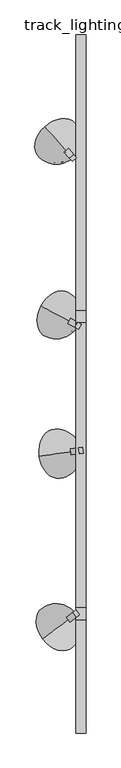
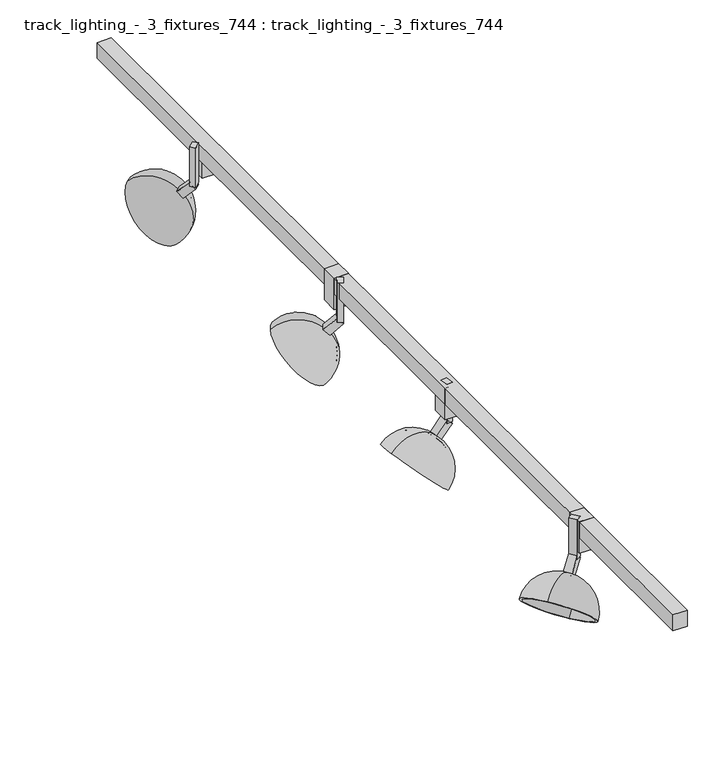
"""IFC4 building model written with IfcOpenShell, lengths in millimetres: light fixture geometry, track_lighting_-_3_fixtures_744 : track_lighting_-_3_fixtures_744."""

from ifc_helpers import new_model, si_unit, point, frame, origin, place, context, project, spatial, polyline, circle_curve, ellipse_curve, trimmed, outline, extrude, source, transform, mapped, element, save
from ifc_brep_helpers import plane_surface, revolved_surface, advanced_brep


def track_lighting_3_fixtures_744_track_lighting_3_fixtures_744_3ff6cc8f(model_context):
    return source(origin(), model_context, "Body", "SolidModel", [
        extrude(outline(polyline([(21.1742761, -368.065558), (30.0730454, -366.8585345), (31.7800344, -379.4432947), (22.8812651, -380.6503181), (21.1742761, -368.065558)])), frame((0.0, 0.0, 2374.9), z_axis=(0.0, 0.0, 1.0), x_axis=(1.0, 0.0, 0.0)), (0.0, 0.0, 1.0), 63.5),
        extrude(outline(polyline([(12.7, -1e-07), (12.7, -12.7), (0.0, -12.7), (0.0, 0.0), (12.7, -1e-07)])), frame((3.3767376, -370.4796049, 2362.9598052), z_axis=(0.7006904927370758, 0.09504121941494724, 0.7071067811865432), x_axis=(0.7006904927370672, 0.09504121941494605, -0.7071067811865519)), (0.0, 0.0, 1.0), 25.4),
        advanced_brep(
        [(10.9948777, -375.8544327, 2356.3160112), (6.5454931, -376.4579445, 2360.8061393), (-64.9270306, -386.1524328, 2360.8061393), (10.9948777, -375.8544327, 2284.1890069), (8.6290006, -376.1753388, 2353.9284695), (4.179616, -376.7788506, 2358.4185976), (8.6290006, -376.1753388, 2286.5765486), (-62.5611535, -385.8315267, 2358.4185976)],
        [
            (0, 1, circle_curve(frame((8.7701854, -376.1561886, 2358.5610752), z_axis=(-0.7006904927370761, -0.09504121941494727, -0.707106781186543), x_axis=(-0.7006904927370676, -0.09504121941494285, 0.707106781186552)), 3.175)),
            (1, 2, circle_curve(frame((-29.1907687, -381.3051886, 2324.7426371), z_axis=(0.13440858148109247, -0.9909259978546537, 0.0), x_axis=(0.7006904927370673, 0.0950412194149429, -0.7071067811865523)), 51.0014938)),
            (2, 3, circle_curve(frame((-26.9660764, -381.0034328, 2322.4975731), z_axis=(0.7006904927370761, 0.09504121941494727, 0.707106781186543), x_axis=(-0.7006904927370676, -0.09504121941494285, 0.707106781186552)), 54.1764938)),
            (3, 0, circle_curve(frame((-24.7413841, -380.7016769, 2320.252509), z_axis=(0.13440858148108958, -0.9909259978546541, 0.0), x_axis=(-0.7006904927370685, -0.0950412194149389, 0.7071067811865517)), 51.0014938)),
            (4, 5, circle_curve(frame((6.4043083, -376.4770947, 2356.1735335), z_axis=(-0.7006904927370761, -0.09504121941494727, -0.707106781186543), x_axis=(-0.7006904927370676, -0.09504121941494285, 0.707106781186552)), 3.175)),
            (5, 1),
            (0, 4),
            (6, 7, circle_curve(frame((-26.9660764, -381.0034328, 2322.4975731), z_axis=(-0.7006904927370761, -0.09504121941494727, -0.707106781186543), x_axis=(-0.7006904927370676, -0.09504121941494285, 0.707106781186552)), 50.8)),
            (7, 5, circle_curve(frame((-29.1907687, -381.3051886, 2324.7426371), z_axis=(-0.13440858148109247, 0.9909259978546537, 0.0), x_axis=(0.7006904927370673, 0.0950412194149429, -0.7071067811865523)), 47.625)),
            (4, 6, circle_curve(frame((-24.7413841, -380.7016769, 2320.252509), z_axis=(-0.13440858148108553, 0.9909259978546546, 0.0), x_axis=(-0.7006904927370693, -0.09504121941493318, 0.7071067811865517)), 47.625)),
            (2, 7),
            (6, 3),
            (1, 0, circle_curve(frame((8.7701854, -376.1561886, 2358.5610752), z_axis=(-0.7006904927370761, -0.09504121941494727, -0.707106781186543), x_axis=(0.7006904927370672, 0.09504121941494595, -0.707106781186552)), 3.175)),
            (3, 2, circle_curve(frame((-26.9660764, -381.0034328, 2322.4975731), z_axis=(0.7006904927370761, 0.09504121941494727, 0.707106781186543), x_axis=(0.7006904927370672, 0.09504121941494595, -0.707106781186552)), 54.1764938)),
            (5, 4, circle_curve(frame((6.4043083, -376.4770947, 2356.1735335), z_axis=(-0.7006904927370761, -0.09504121941494727, -0.707106781186543), x_axis=(0.7006904927370672, 0.09504121941494595, -0.707106781186552)), 3.175)),
            (7, 6, circle_curve(frame((-26.9660764, -381.0034328, 2322.4975731), z_axis=(-0.7006904927370761, -0.09504121941494727, -0.707106781186543), x_axis=(0.7006904927370672, 0.09504121941494595, -0.707106781186552)), 50.8)),
        ],
        [
            revolved_surface(trimmed(ellipse_curve(frame((-29.1907687, -381.3051886, 2324.7426371), z_axis=(-0.13440858148109247, 0.9909259978546537, 0.0), x_axis=(0.7006904927370673, 0.0950412194149429, -0.7071067811865523)), 51.0014938, 51.0014938), [point((-64.9270306, -386.1524328, 2360.8061393))], [point((6.5454931, -376.4579445, 2360.8061393))], True, "CARTESIAN"), (-1664.2890037, -603.0888888, 670.1815264), (0.7006904927370761, 0.09504121941494727, 0.707106781186543)),
            revolved_surface(polyline([(6.5454931547435535, -376.45794451341686, 2360.8061392475574), (4.179615993413563, -376.77885060923165, 2358.4185975275377)]), (-1664.2890037, -603.0888888, 670.1815264), (0.7006904927370761, 0.09504121941494727, 0.707106781186543)),
            revolved_surface(trimmed(ellipse_curve(frame((-29.1907687, -381.3051886, 2324.7426371), z_axis=(0.13440858148109247, -0.9909259978546537, 0.0), x_axis=(0.7006904927370673, 0.0950412194149429, -0.7071067811865523)), 47.625, 47.625), [point((4.179616, -376.7788506, 2358.4185976))], [point((-62.5611535, -385.8315267, 2358.4185976))], True, "CARTESIAN"), (-1664.2890037, -603.0888888, 670.1815264), (0.7006904927370761, 0.09504121941494727, 0.707106781186543)),
            plane_surface(frame((-26.9660764, -381.0034328, 2322.4975731), z_axis=(-0.700690492737076, -0.09504121941494724, -0.7071067811865432), x_axis=(-0.7006904927370676, -0.09504121941494285, 0.707106781186552))),
            revolved_surface(trimmed(ellipse_curve(frame((-24.7413841, -380.7016769, 2320.252509), z_axis=(0.13440858148109466, -0.9909259978546534, 0.0), x_axis=(-0.7006904927370675, -0.09504121941494607, 0.7071067811865517)), 51.0014938, 51.0014938), [point((10.9948777, -375.8544327, 2284.1890069))], [point((10.9948777, -375.8544327, 2356.3160112))], True, "CARTESIAN"), (-1664.2890037, -603.0888888, 670.1815264), (0.7006904927370761, 0.09504121941494727, 0.707106781186543)),
            revolved_surface(polyline([(10.994877783624133, -375.85443277013206, 2356.316011187023), (8.629000622294143, -376.17533886594686, 2353.928469467003)]), (-1664.2890037, -603.0888888, 670.1815264), (0.7006904927370761, 0.09504121941494727, 0.707106781186543)),
            revolved_surface(trimmed(ellipse_curve(frame((-24.7413841, -380.7016769, 2320.252509), z_axis=(-0.13440858148109466, 0.9909259978546534, 0.0), x_axis=(-0.7006904927370675, -0.09504121941494607, 0.7071067811865517)), 47.625, 47.625), [point((8.6290006, -376.1753388, 2353.9284695))], [point((8.6290006, -376.1753388, 2286.5765486))], True, "CARTESIAN"), (-1664.2890037, -603.0888888, 670.1815264), (0.7006904927370761, 0.09504121941494727, 0.707106781186543)),
            plane_surface(frame((-26.9660764, -381.0034328, 2322.4975731), z_axis=(-0.700690492737076, -0.09504121941494725, -0.7071067811865432), x_axis=(0.7006904927370672, 0.09504121941494595, -0.707106781186552))),
        ],
        [
            (0, [[1, 2, 3, 4]]),
            (1, [[5, 6, -1, 7]]),
            (2, [[8, 9, -5, 10]]),
            (3, [[-3, 11, -8, 12]]),
            (4, [[13, -4, 14, -2]]),
            (5, [[15, -7, -13, -6]]),
            (6, [[16, -10, -15, -9]]),
            (7, [[-14, -12, -16, -11]]),
        ],
    ),
        extrude(outline(polyline([(1.4066547, 263.8270711), (10.844594, 272.3250298), (16.8535582, 265.6513989), (7.4156189, 257.1534402), (1.4066547, 263.8270711)])), frame((0.0, 0.0, 2374.9), z_axis=(0.0, 0.0, 1.0), x_axis=(1.0, 0.0, 0.0)), (0.0, 0.0, 1.0), 63.5),
        extrude(outline(polyline([(0.0, 12.7), (25.4000001, 12.6999999), (25.4000001, -1e-07), (0.0, 0.0), (0.0, 12.7)])), frame((16.8535582, 265.6513989, 2371.9400614), z_axis=(-0.47314678925581266, 0.5254827454987554, 0.7071067811865518), x_axis=(-0.47314678925581827, 0.5254827454987616, -0.7071067811865435)), (0.0, 0.0, 1.0), 12.7),
        advanced_brep(
        [(-1.3244237, 276.3501671, 2356.3160112), (-1.3244237, 276.3501671, 2284.1890069), (-52.591292, 333.2877925, 2360.8061393), (-4.3289058, 279.6869825, 2360.8061393), (-2.9220009, 278.1244563, 2353.9284695), (-5.9264831, 281.4612717, 2358.4185976), (-2.9220009, 278.1244563, 2286.5765486), (-50.9937147, 331.5135033, 2358.4185976)],
        [
            (0, 1, circle_curve(frame((-25.4556168, 303.1505721, 2320.252509), z_axis=(0.7431448254773879, 0.669130606358866, 0.0), x_axis=(-0.4731467892558226, 0.525482745498747, 0.7071067811865517)), 51.0014938)),
            (1, 2, circle_curve(frame((-26.9578578, 304.8189798, 2322.4975731), z_axis=(0.47314678925581866, -0.5254827454987621, 0.7071067811865429), x_axis=(-0.4731467892558151, 0.5254827454987533, 0.707106781186552)), 54.1764938)),
            (2, 3, circle_curve(frame((-28.4600989, 306.4873875, 2324.7426371), z_axis=(0.7431448254773926, 0.6691306063588609, 0.0), x_axis=(0.4731467892558148, -0.5254827454987532, -0.7071067811865523)), 51.0014938)),
            (3, 0, circle_curve(frame((-2.8266648, 278.0185748, 2358.5610752), z_axis=(-0.47314678925581866, 0.5254827454987621, -0.7071067811865429), x_axis=(-0.4731467892558151, 0.5254827454987533, 0.707106781186552)), 3.175)),
            (4, 0),
            (3, 5),
            (5, 4, circle_curve(frame((-4.424242, 279.792864, 2356.1735335), z_axis=(-0.47314678925581866, 0.5254827454987621, -0.7071067811865429), x_axis=(-0.4731467892558151, 0.5254827454987533, 0.707106781186552)), 3.175)),
            (6, 4, circle_curve(frame((-25.4556168, 303.1505721, 2320.252509), z_axis=(-0.7431448254773934, -0.66913060635886, 0.0), x_axis=(-0.47314678925581405, 0.5254827454987546, 0.7071067811865517)), 47.625)),
            (5, 7, circle_curve(frame((-28.4600989, 306.4873875, 2324.7426371), z_axis=(-0.7431448254773926, -0.6691306063588609, 0.0), x_axis=(0.4731467892558148, -0.5254827454987532, -0.7071067811865523)), 47.625)),
            (7, 6, circle_curve(frame((-26.9578578, 304.8189798, 2322.4975731), z_axis=(-0.47314678925581866, 0.5254827454987621, -0.7071067811865429), x_axis=(-0.4731467892558151, 0.5254827454987533, 0.707106781186552)), 50.8)),
            (1, 6),
            (7, 2),
            (2, 1, circle_curve(frame((-26.9578578, 304.8189798, 2322.4975731), z_axis=(0.47314678925581866, -0.5254827454987621, 0.7071067811865429), x_axis=(0.4731467892558128, -0.5254827454987553, -0.707106781186552)), 54.1764938)),
            (0, 3, circle_curve(frame((-2.8266648, 278.0185748, 2358.5610752), z_axis=(-0.47314678925581866, 0.5254827454987621, -0.7071067811865429), x_axis=(0.4731467892558128, -0.5254827454987553, -0.707106781186552)), 3.175)),
            (4, 5, circle_curve(frame((-4.424242, 279.792864, 2356.1735335), z_axis=(-0.47314678925581866, 0.5254827454987621, -0.7071067811865429), x_axis=(0.4731467892558128, -0.5254827454987553, -0.707106781186552)), 3.175)),
            (6, 7, circle_curve(frame((-26.9578578, 304.8189798, 2322.4975731), z_axis=(-0.47314678925581866, 0.5254827454987621, -0.7071067811865429), x_axis=(0.4731467892558128, -0.5254827454987553, -0.707106781186552)), 50.8)),
        ],
        [
            revolved_surface(trimmed(ellipse_curve(frame((-28.4600989, 306.4873875, 2324.7426371), z_axis=(0.7431448254773926, 0.6691306063588609, 0.0), x_axis=(0.4731467892558148, -0.5254827454987532, -0.7071067811865523)), 51.0014938, 51.0014938), [point((-52.591292, 333.2877925, 2360.8061393))], [point((-4.3289058, 279.6869825, 2360.8061393))], True, "CARTESIAN"), (-1132.573096, 1532.7290999, 670.1815264), (0.47314678925581877, -0.5254827454987622, 0.707106781186543)),
            revolved_surface(polyline([(-4.32890578322008, 279.68698246191775, 2360.806139260473), (-5.926483028103803, 281.46127174349203, 2358.418597531397)]), (-1132.573096, 1532.7290999, 670.1815264), (0.47314678925581877, -0.5254827454987622, 0.707106781186543)),
            revolved_surface(trimmed(ellipse_curve(frame((-28.4600989, 306.4873875, 2324.7426371), z_axis=(-0.7431448254773926, -0.6691306063588609, 0.0), x_axis=(0.4731467892558148, -0.5254827454987532, -0.7071067811865523)), 47.625, 47.625), [point((-5.9264831, 281.4612717, 2358.4185976))], [point((-50.9937147, 331.5135033, 2358.4185976))], True, "CARTESIAN"), (-1132.573096, 1532.7290999, 670.1815264), (0.47314678925581877, -0.5254827454987622, 0.707106781186543)),
            plane_surface(frame((-26.9578578, 304.8189798, 2322.4975731), z_axis=(-0.4731467892558184, 0.5254827454987618, -0.7071067811865434), x_axis=(-0.473146789255815, 0.5254827454987532, 0.7071067811865519))),
            revolved_surface(trimmed(ellipse_curve(frame((-25.4556168, 303.1505721, 2320.252509), z_axis=(-0.7431448254773941, -0.6691306063588593, 0.0), x_axis=(-0.473146789255813, 0.5254827454987556, 0.7071067811865517)), 51.0014938, 51.0014938), [point((-1.3244237, 276.3501671, 2284.1890069))], [point((-1.3244237, 276.3501671, 2356.3160112))], True, "CARTESIAN"), (-1132.573096, 1532.7290999, 670.1815264), (0.47314678925581877, -0.5254827454987622, 0.707106781186543)),
            revolved_surface(polyline([(-1.3244236714456292, 276.35016702800044, 2356.3160111999387), (-2.9220009163293525, 278.1244563095747, 2353.9284694708626)]), (-1132.573096, 1532.7290999, 670.1815264), (0.47314678925581877, -0.5254827454987622, 0.707106781186543)),
            revolved_surface(trimmed(ellipse_curve(frame((-25.4556168, 303.1505721, 2320.252509), z_axis=(0.7431448254773941, 0.6691306063588593, 0.0), x_axis=(-0.473146789255813, 0.5254827454987556, 0.7071067811865517)), 47.625, 47.625), [point((-2.9220009, 278.1244563, 2353.9284695))], [point((-2.9220009, 278.1244563, 2286.5765486))], True, "CARTESIAN"), (-1132.573096, 1532.7290999, 670.1815264), (0.47314678925581877, -0.5254827454987622, 0.707106781186543)),
            plane_surface(frame((-26.9578578, 304.8189798, 2322.4975731), z_axis=(-0.4731467892558184, 0.5254827454987617, -0.7071067811865432), x_axis=(0.4731467892558127, -0.5254827454987552, -0.7071067811865519))),
        ],
        [
            (0, [[1, 2, 3, 4]]),
            (1, [[5, -4, 6, 7]]),
            (2, [[8, -7, 9, 10]]),
            (3, [[11, -10, 12, -2]]),
            (4, [[-3, 13, -1, 14]]),
            (5, [[-6, -14, -5, 15]]),
            (6, [[-9, -15, -8, 16]]),
            (7, [[-12, -16, -11, -13]]),
        ],
    ),
        extrude(outline(polyline([(13.5830052, -105.1858771), (19.5947744, -93.9988921), (27.5051673, -98.2498548), (21.4933982, -109.4368398), (13.5830052, -105.1858771)])), frame((0.0, 0.0, 2374.9), z_axis=(0.0, 0.0, 1.0), x_axis=(1.0, 0.0, 0.0)), (0.0, 0.0, 1.0), 63.5),
        extrude(outline(polyline([(0.0, 12.7), (25.4000001, 12.7000001), (25.4000001, 0.0), (0.0, 0.0), (0.0, 12.7)])), frame((27.5051673, -98.2498548, 2371.9400614), z_axis=(-0.6228655838762192, 0.33472147290326487, 0.7071067811865515), x_axis=(-0.622865583876226, 0.3347214729032686, -0.7071067811865436)), (0.0, 0.0, 1.0), 12.7),
        advanced_brep(
        [(6.781408, -94.3219461, 2356.3160112), (6.781408, -94.3219461, 2284.1890069), (-60.707939, -58.0538745, 2360.8061393), (2.8262115, -92.1964647, 2360.8061393), (4.6783062, -93.1917611, 2353.9284695), (0.7231097, -91.0662797, 2358.4185976), (4.6783062, -93.1917611, 2286.5765486), (-58.6048372, -59.1840595, 2358.4185976)],
        [
            (0, 1, circle_curve(frame((-24.9856673, -77.250651, 2320.252509), z_axis=(0.47336764659729014, 0.880864956253195, 0.0), x_axis=(-0.622865583876225, 0.33472147290325327, 0.7071067811865517)), 51.0014938)),
            (1, 2, circle_curve(frame((-26.9632655, -76.1879103, 2322.4975731), z_axis=(0.6228655838762266, -0.33472147290326887, 0.707106781186543), x_axis=(-0.6228655838762202, 0.33472147290326176, 0.707106781186552)), 54.1764938)),
            (2, 3, circle_curve(frame((-28.9408637, -75.1251696, 2324.7426371), z_axis=(0.4733676465972963, 0.8808649562531917, 0.0), x_axis=(0.6228655838762199, -0.33472147290326165, -0.7071067811865523)), 51.0014938)),
            (3, 0, circle_curve(frame((4.8038098, -93.2592054, 2358.5610752), z_axis=(-0.6228655838762266, 0.33472147290326887, -0.707106781186543), x_axis=(-0.6228655838762202, 0.33472147290326176, 0.707106781186552)), 3.175)),
            (4, 0),
            (3, 5),
            (5, 4, circle_curve(frame((2.7007079, -92.1290204, 2356.1735335), z_axis=(-0.6228655838762266, 0.33472147290326887, -0.707106781186543), x_axis=(-0.6228655838762202, 0.33472147290326176, 0.707106781186552)), 3.175)),
            (6, 4, circle_curve(frame((-24.9856673, -77.250651, 2320.252509), z_axis=(-0.47336764659729735, -0.8808649562531912, 0.0), x_axis=(-0.6228655838762196, 0.3347214729032635, 0.7071067811865517)), 47.625)),
            (5, 7, circle_curve(frame((-28.9408637, -75.1251696, 2324.7426371), z_axis=(-0.4733676465972963, -0.8808649562531917, 0.0), x_axis=(0.6228655838762199, -0.33472147290326165, -0.7071067811865523)), 47.625)),
            (7, 6, circle_curve(frame((-26.9632655, -76.1879103, 2322.4975731), z_axis=(-0.6228655838762266, 0.33472147290326887, -0.707106781186543), x_axis=(-0.6228655838762202, 0.33472147290326176, 0.707106781186552)), 50.8)),
            (1, 6),
            (7, 2),
            (2, 1, circle_curve(frame((-26.9632655, -76.1879103, 2322.4975731), z_axis=(0.6228655838762266, -0.33472147290326887, 0.707106781186543), x_axis=(0.6228655838762186, -0.3347214729032645, -0.707106781186552)), 54.1764938)),
            (0, 3, circle_curve(frame((4.8038098, -93.2592054, 2358.5610752), z_axis=(-0.6228655838762266, 0.33472147290326887, -0.707106781186543), x_axis=(0.6228655838762186, -0.3347214729032645, -0.707106781186552)), 3.175)),
            (4, 5, circle_curve(frame((2.7007079, -92.1290204, 2356.1735335), z_axis=(-0.6228655838762266, 0.33472147290326887, -0.707106781186543), x_axis=(0.6228655838762186, -0.3347214729032645, -0.707106781186552)), 3.175)),
            (6, 7, circle_curve(frame((-26.9632655, -76.1879103, 2322.4975731), z_axis=(-0.6228655838762266, 0.33472147290326887, -0.707106781186543), x_axis=(0.6228655838762186, -0.3347214729032645, -0.707106781186552)), 50.8)),
        ],
        [
            revolved_surface(trimmed(ellipse_curve(frame((-28.9408637, -75.1251696, 2324.7426371), z_axis=(0.4733676465972963, 0.8808649562531917, 0.0), x_axis=(0.6228655838762199, -0.33472147290326165, -0.7071067811865523)), 51.0014938, 51.0014938), [point((-60.707939, -58.0538745, 2360.8061393))], [point((2.8262115, -92.1964647, 2360.8061393))], True, "CARTESIAN"), (-1482.4305676, 705.9650482, 670.1815264), (0.6228655838762266, -0.33472147290326887, 0.707106781186543)),
            revolved_surface(polyline([(2.8262115781592456, -92.19646470977375, 2360.8061392466757), (0.723109722145864, -91.06627969211786, 2358.418597500255)]), (-1482.4305676, 705.9650482, 670.1815264), (0.6228655838762266, -0.33472147290326887, 0.707106781186543)),
            revolved_surface(trimmed(ellipse_curve(frame((-28.9408637, -75.1251696, 2324.7426371), z_axis=(-0.4733676465972963, -0.8808649562531917, 0.0), x_axis=(0.6228655838762199, -0.33472147290326165, -0.7071067811865523)), 47.625, 47.625), [point((0.7231097, -91.0662797, 2358.4185976))], [point((-58.6048372, -59.1840595, 2358.4185976))], True, "CARTESIAN"), (-1482.4305676, 705.9650482, 670.1815264), (0.6228655838762266, -0.33472147290326887, 0.707106781186543)),
            plane_surface(frame((-26.9632655, -76.1879103, 2322.4975731), z_axis=(-0.6228655838762266, 0.33472147290326887, -0.707106781186543), x_axis=(-0.6228655838762202, 0.33472147290326176, 0.707106781186552))),
            revolved_surface(trimmed(ellipse_curve(frame((-24.9856673, -77.250651, 2320.252509), z_axis=(-0.47336764659729824, -0.8808649562531906, 0.0), x_axis=(-0.6228655838762188, 0.3347214729032647, 0.7071067811865517)), 51.0014938, 51.0014938), [point((6.781408, -94.3219461, 2284.1890069))], [point((6.781408, -94.3219461, 2356.3160112))], True, "CARTESIAN"), (-1482.4305676, 705.9650482, 670.1815264), (0.6228655838762266, -0.33472147290326887, 0.707106781186543)),
            revolved_surface(polyline([(6.781408035773211, -94.32194606270957, 2356.316011186141), (4.678306179759829, -93.19176104505368, 2353.9284694397206)]), (-1482.4305676, 705.9650482, 670.1815264), (0.6228655838762266, -0.33472147290326887, 0.707106781186543)),
            revolved_surface(trimmed(ellipse_curve(frame((-24.9856673, -77.250651, 2320.252509), z_axis=(0.47336764659729824, 0.8808649562531906, 0.0), x_axis=(-0.6228655838762188, 0.3347214729032647, 0.7071067811865517)), 47.625, 47.625), [point((4.6783062, -93.1917611, 2353.9284695))], [point((4.6783062, -93.1917611, 2286.5765486))], True, "CARTESIAN"), (-1482.4305676, 705.9650482, 670.1815264), (0.6228655838762266, -0.33472147290326887, 0.707106781186543)),
            plane_surface(frame((-26.9632655, -76.1879103, 2322.4975731), z_axis=(-0.6228655838762267, 0.3347214729032689, -0.707106781186543), x_axis=(0.6228655838762187, -0.33472147290326454, -0.7071067811865521))),
        ],
        [
            (0, [[1, 2, 3, 4]]),
            (1, [[5, -4, 6, 7]]),
            (2, [[8, -7, 9, 10]]),
            (3, [[11, -10, 12, -2]]),
            (4, [[-3, 13, -1, 14]]),
            (5, [[-6, -14, -5, 15]]),
            (6, [[-9, -15, -8, 16]]),
            (7, [[-12, -16, -11, -13]]),
        ],
    ),
        extrude(outline(polyline([(16.3468869, -737.3314735), (8.7038361, -727.1888025), (15.8757875, -721.7843495), (23.5188383, -731.9270204), (16.3468869, -737.3314735)])), frame((0.0, 0.0, 2374.9), z_axis=(0.0, 0.0, 1.0), x_axis=(1.0, 0.0, 0.0)), (0.0, 0.0, 1.0), 63.5),
        extrude(outline(polyline([(12.7, 0.0), (0.0, 0.0), (0.0, 12.7), (12.7, 12.6999999), (12.7, 0.0)])), frame((2.002984, -748.1403796, 2362.9598052), z_axis=(0.5647205848508102, 0.42554748389077024, 0.7071067811865431), x_axis=(0.564720584850803, 0.4255474838907648, -0.707106781186552)), (0.0, 0.0, 1.0), 25.4),
        advanced_brep(
        [(3.6334159, -738.9606996, 2356.3160112), (3.6334159, -738.9606996, 2284.1890069), (-57.5557467, -785.0700409, 2360.8061393), (0.0474402, -741.6629261, 2360.8061393), (1.7266403, -740.3975581, 2353.9284695), (-1.8593354, -743.0997846, 2358.4185976), (1.7266403, -740.3975581, 2286.5765486), (-55.6489711, -783.6331824, 2358.4185976)],
        [
            (0, 1, circle_curve(frame((-25.1681775, -760.664257, 2320.252509), z_axis=(-0.6018150231520768, 0.7986355100472713, 0.0), x_axis=(-0.5647205848507953, -0.42554748389077524, 0.7071067811865517)), 51.0014938)),
            (1, 2, circle_curve(frame((-26.9611654, -762.0153702, 2322.4975731), z_axis=(0.5647205848508102, 0.42554748389077024, 0.7071067811865431), x_axis=(-0.564720584850801, -0.42554748389076724, 0.707106781186552)), 54.1764938)),
            (2, 3, circle_curve(frame((-28.7541532, -763.3664835, 2324.7426371), z_axis=(-0.6018150231520712, 0.7986355100472755, 0.0), x_axis=(0.5647205848508008, 0.425547483890767, -0.7071067811865523)), 51.0014938)),
            (3, 0, circle_curve(frame((1.8404281, -740.3118129, 2358.5610752), z_axis=(-0.5647205848508102, -0.42554748389077024, -0.7071067811865431), x_axis=(-0.564720584850801, -0.42554748389076724, 0.707106781186552)), 3.175)),
            (4, 0),
            (3, 5),
            (5, 4, circle_curve(frame((-0.0663475, -741.7486713, 2356.1735335), z_axis=(-0.5647205848508102, -0.42554748389077024, -0.7071067811865431), x_axis=(-0.564720584850801, -0.42554748389076724, 0.707106781186552)), 3.175)),
            (6, 4, circle_curve(frame((-25.1681775, -760.664257, 2320.252509), z_axis=(0.6018150231520702, -0.7986355100472763, 0.0), x_axis=(-0.5647205848508022, -0.425547483890766, 0.7071067811865517)), 47.625)),
            (5, 7, circle_curve(frame((-28.7541532, -763.3664835, 2324.7426371), z_axis=(0.6018150231520712, -0.7986355100472755, 0.0), x_axis=(0.5647205848508008, 0.425547483890767, -0.7071067811865523)), 47.625)),
            (7, 6, circle_curve(frame((-26.9611654, -762.0153702, 2322.4975731), z_axis=(-0.5647205848508102, -0.42554748389077024, -0.7071067811865431), x_axis=(-0.564720584850801, -0.42554748389076724, 0.707106781186552)), 50.8)),
            (1, 6),
            (7, 2),
            (2, 1, circle_curve(frame((-26.9611654, -762.0153702, 2322.4975731), z_axis=(0.5647205848508102, 0.42554748389077024, 0.7071067811865431), x_axis=(0.5647205848508029, 0.4255474838907648, -0.707106781186552)), 54.1764938)),
            (0, 3, circle_curve(frame((1.8404281, -740.3118129, 2358.5610752), z_axis=(-0.5647205848508102, -0.42554748389077024, -0.7071067811865431), x_axis=(0.5647205848508029, 0.4255474838907648, -0.707106781186552)), 3.175)),
            (4, 5, circle_curve(frame((-0.0663475, -741.7486713, 2356.1735335), z_axis=(-0.5647205848508102, -0.42554748389077024, -0.7071067811865431), x_axis=(0.5647205848508029, 0.4255474838907648, -0.707106781186552)), 3.175)),
            (6, 7, circle_curve(frame((-26.9611654, -762.0153702, 2322.4975731), z_axis=(-0.5647205848508102, -0.42554748389077024, -0.7071067811865431), x_axis=(0.5647205848508029, 0.4255474838907648, -0.707106781186552)), 50.8)),
        ],
        [
            revolved_surface(trimmed(ellipse_curve(frame((-28.7541532, -763.3664835, 2324.7426371), z_axis=(-0.6018150231520712, 0.7986355100472755, 0.0), x_axis=(0.5647205848508008, 0.425547483890767, -0.7071067811865523)), 51.0014938, 51.0014938), [point((-57.5557467, -785.0700409, 2360.8061393))], [point((0.0474402, -741.6629261, 2360.8061393))], True, "CARTESIAN"), (-1346.559434, -1756.4039901, 670.1815264), (0.5647205848508101, 0.42554748389077013, 0.707106781186543)),
            revolved_surface(polyline([(0.047440266123430774, -741.6629261004426, 2360.8061392474574), (-1.8593353569269766, -743.0997845938296, 2358.4185974977327)]), (-1346.559434, -1756.4039901, 670.1815264), (0.5647205848508101, 0.42554748389077013, 0.707106781186543)),
            revolved_surface(trimmed(ellipse_curve(frame((-28.7541532, -763.3664835, 2324.7426371), z_axis=(0.6018150231520712, -0.7986355100472755, 0.0), x_axis=(0.5647205848508008, 0.425547483890767, -0.7071067811865523)), 47.625, 47.625), [point((-1.8593354, -743.0997846, 2358.4185976))], [point((-55.6489711, -783.6331824, 2358.4185976))], True, "CARTESIAN"), (-1346.559434, -1756.4039901, 670.1815264), (0.5647205848508101, 0.42554748389077013, 0.707106781186543)),
            plane_surface(frame((-26.9611654, -762.0153702, 2322.4975731), z_axis=(-0.5647205848508103, -0.4255474838907702, -0.707106781186543), x_axis=(-0.5647205848508011, -0.4255474838907673, 0.7071067811865521))),
            revolved_surface(trimmed(ellipse_curve(frame((-25.1681775, -760.664257, 2320.252509), z_axis=(0.6018150231520696, -0.7986355100472768, 0.0), x_axis=(-0.5647205848508031, -0.4255474838907649, 0.7071067811865517)), 51.0014938, 51.0014938), [point((3.6334159, -738.9606996, 2284.1890069))], [point((3.6334159, -738.9606996, 2356.3160112))], True, "CARTESIAN"), (-1346.559434, -1756.4039901, 670.1815264), (0.5647205848508101, 0.42554748389077013, 0.707106781186543)),
            revolved_surface(polyline([(3.6334159799262125, -738.9606995777361, 2356.316011186923), (1.726640356875805, -740.3975580711231, 2353.928469437198)]), (-1346.559434, -1756.4039901, 670.1815264), (0.5647205848508101, 0.42554748389077013, 0.707106781186543)),
            revolved_surface(trimmed(ellipse_curve(frame((-25.1681775, -760.664257, 2320.252509), z_axis=(-0.6018150231520696, 0.7986355100472768, 0.0), x_axis=(-0.5647205848508031, -0.4255474838907649, 0.7071067811865517)), 47.625, 47.625), [point((1.7266403, -740.3975581, 2353.9284695))], [point((1.7266403, -740.3975581, 2286.5765486))], True, "CARTESIAN"), (-1346.559434, -1756.4039901, 670.1815264), (0.5647205848508101, 0.42554748389077013, 0.707106781186543)),
            plane_surface(frame((-26.9611654, -762.0153702, 2322.4975731), z_axis=(-0.5647205848508101, -0.42554748389077013, -0.707106781186543), x_axis=(0.5647205848508029, 0.4255474838907648, -0.707106781186552))),
        ],
        [
            (0, [[1, 2, 3, 4]]),
            (1, [[5, -4, 6, 7]]),
            (2, [[8, -7, 9, 10]]),
            (3, [[11, -10, 12, -2]]),
            (4, [[-3, 13, -1, 14]]),
            (5, [[-6, -14, -5, 15]]),
            (6, [[-9, -15, -8, 16]]),
            (7, [[-12, -16, -11, -13]]),
        ],
    ),
        extrude(outline(polyline([(37.8064362, -742.95), (16.1261801, -742.95), (16.1261801, -717.55), (37.8064362, -717.55), (37.8064362, -742.95)])), frame((0.0, 0.0, 2387.6), z_axis=(0.0, 0.0, 1.0), x_axis=(1.0, 0.0, 0.0)), (0.0, 0.0, 1.0), 50.8),
        extrude(outline(polyline([(37.8064362, -93.6625), (16.1261801, -93.6625), (16.1261801, -68.2625), (37.8064362, -68.2625), (37.8064362, -93.6625)])), frame((0.0, 0.0, 2387.6), z_axis=(0.0, 0.0, 1.0), x_axis=(1.0, 0.0, 0.0)), (0.0, 0.0, 1.0), 50.8),
        extrude(outline(polyline([(37.8064362, -990.6), (16.1261801, -990.6), (16.1261801, 533.4), (37.8064362, 533.4), (37.8064362, -990.6)])), frame((0.0, 0.0, 2413.0), z_axis=(0.0, 0.0, 1.0), x_axis=(1.0, 0.0, 0.0)), (0.0, 0.0, 1.0), 25.4),
        extrude(outline(polyline([(37.8064362, 255.5875), (16.1261801, 255.5875), (16.1261801, 280.9875), (37.8064362, 280.9875), (37.8064362, 255.5875)])), frame((0.0, 0.0, 2387.6), z_axis=(0.0, 0.0, 1.0), x_axis=(1.0, 0.0, 0.0)), (0.0, 0.0, 1.0), 50.8),
        extrude(outline(polyline([(37.8064362, -387.35), (16.1261801, -387.35), (16.1261801, -361.95), (37.8064362, -361.95), (37.8064362, -387.35)])), frame((0.0, 0.0, 2387.6), z_axis=(0.0, 0.0, 1.0), x_axis=(1.0, 0.0, 0.0)), (0.0, 0.0, 1.0), 50.8),
    ])


if __name__ == "__main__":
    model = new_model("IFC4")
    model_context = context("Model", 3, world=origin())
    ifc_project = project(units=[si_unit("LENGTHUNIT", "METRE", prefix="MILLI")], contexts=[model_context])
    site = spatial("IfcSite", under=ifc_project)
    building = spatial("IfcBuilding", under=site)
    placement = place(None, origin())
    track_lighting_3_fixtures_744_track_lighting_3_fixtures_744_shape = track_lighting_3_fixtures_744_track_lighting_3_fixtures_744_3ff6cc8f(model_context)
    element("IfcLightFixture", 1, ObjectType="track_lighting_-_3_fixtures_744 : track_lighting_-_3_fixtures_744", at=placement, inside=building, context=model_context, shape_type="MappedRepresentation", body=[
        mapped(track_lighting_3_fixtures_744_track_lighting_3_fixtures_744_shape, transform((0.0, 0.0, 0.0), x_axis=(1.0, 0.0, 0.0), y_axis=(0.0, 1.0, 0.0), z_axis=(0.0, 0.0, 1.0))),
    ])
    save(model, "model.ifc")
